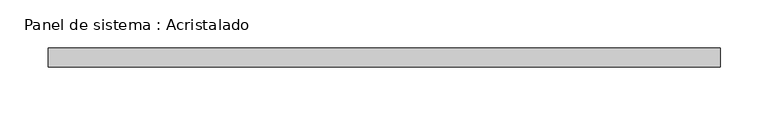
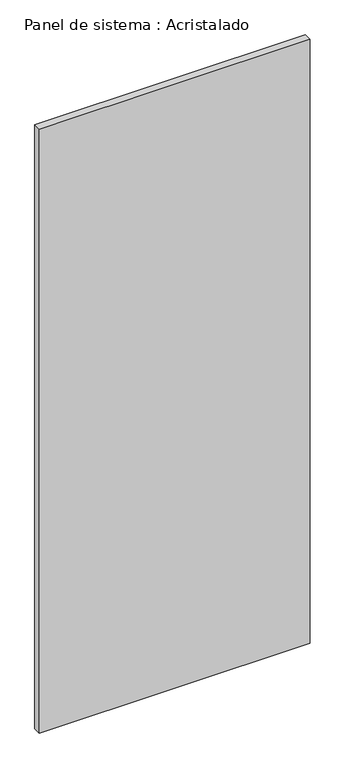
"""IFC4 building model written with IfcOpenShell, lengths in millimetres: plate geometry, Panel de sistema : Acristalado."""

from ifc_helpers import new_model, si_unit, origin, origin_with_axes, place, context, project, spatial, polyline, outline, extrude, source, transform, mapped, element, save


def panel_de_sistema_acristalado_3574d559(model_context):
    return source(origin(), model_context, "Body", "SweptSolid", [
        extrude(outline(polyline([(350.0, -10.0), (-350.0, -10.0), (-350.0, 10.0), (350.0, 10.0), (350.0, -10.0)])), origin_with_axes(), (0.0, 0.0, 1.0), 1650.0),
    ])


if __name__ == "__main__":
    model = new_model("IFC4")
    model_context = context("Model", 3, world=origin())
    ifc_project = project(units=[si_unit("LENGTHUNIT", "METRE", prefix="MILLI")], contexts=[model_context])
    site = spatial("IfcSite", under=ifc_project)
    building = spatial("IfcBuilding", under=site)
    placement = place(None, origin())
    panel_de_sistema_acristalado_shape = panel_de_sistema_acristalado_3574d559(model_context)
    element("IfcPlate", 1, ObjectType="Panel de sistema : Acristalado", at=placement, inside=building, context=model_context, shape_type="MappedRepresentation", body=[
        mapped(panel_de_sistema_acristalado_shape, transform((0.0, 0.0, 0.0), x_axis=(1.0, 0.0, 0.0), y_axis=(0.0, 1.0, 0.0), z_axis=(0.0, 0.0, 1.0))),
    ])
    save(model, "model.ifc")
